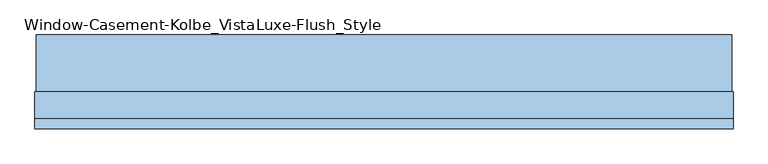
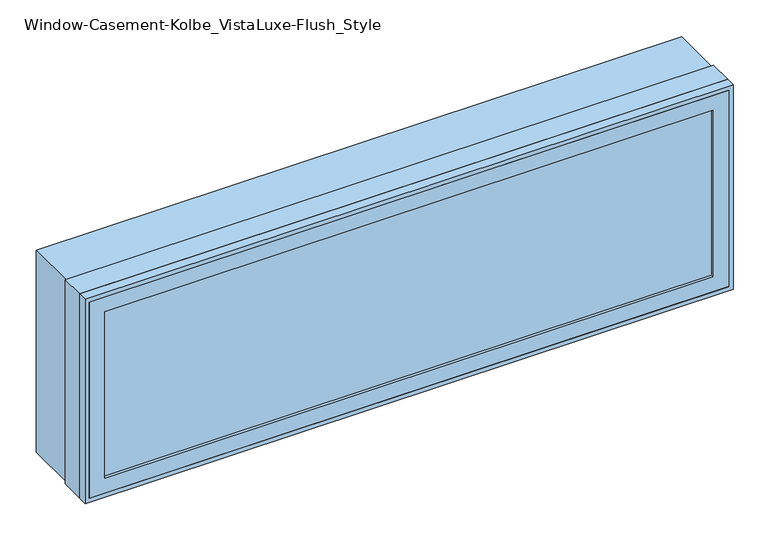
"""IFC4 building model written with IfcOpenShell, lengths in millimetres: window geometry, Window-Casement-Kolbe_VistaLuxe-Flush_Style."""

from ifc_helpers import new_model, si_unit, frame, origin, place, context, project, spatial, polyline, outline, extrude, faceted_brep, source, transform, mapped, element, save


def window_casement_kolbe_vistaluxe_flush_style_417d3836(model_context):
    return source(origin(), model_context, "Body", "SolidModel", [
        faceted_brep([(-863.6696599, -127.72898, 970.676875), (-863.6696599, -135.66648, 970.676875), (852.5765901, -135.66648, 970.676875), (852.5765901, -127.72898, 970.676875), (-879.5446599, -105.47858, 954.801875), (-879.5446599, -127.72898, 954.801875), (868.4515901, -127.72898, 954.801875), (868.4515901, -105.47858, 954.801875), (-863.6696599, -86.45398, 970.676875), (-863.6696599, -105.47858, 970.676875), (852.5765901, -105.47858, 970.676875), (852.5765901, -86.45398, 970.676875), (-908.1196599, -135.66648, 926.226875), (-908.1196599, -86.45398, 926.226875), (897.0265901, -86.45398, 926.226875), (897.0265901, -135.66648, 926.226875), (852.5765901, -135.66648, 1467.723125), (852.5765901, -127.72898, 1467.723125), (868.4515901, -127.72898, 1483.598125), (868.4515901, -105.47858, 1483.598125), (852.5765901, -105.47858, 1467.723125), (852.5765901, -86.45398, 1467.723125), (897.0265901, -86.45398, 1512.173125), (897.0265901, -135.66648, 1512.173125), (-863.6696599, -135.66648, 1467.723125), (-863.6696599, -127.72898, 1467.723125), (-879.5446599, -127.72898, 1483.598125), (-879.5446599, -105.47858, 1483.598125), (-863.6696599, -105.47858, 1467.723125), (-863.6696599, -86.45398, 1467.723125), (-908.1196599, -86.45398, 1512.173125), (-908.1196599, -135.66648, 1512.173125)], [[[0, 1, 2, 3]], [[4, 5, 6, 7]], [[8, 9, 10, 11]], [[12, 13, 14, 15]], [[3, 2, 16, 17]], [[7, 6, 18, 19]], [[11, 10, 20, 21]], [[15, 14, 22, 23]], [[17, 16, 24, 25]], [[19, 18, 26, 27]], [[21, 20, 28, 29]], [[23, 22, 30, 31]], [[25, 24, 1, 0]], [[5, 26, 18, 6], [3, 17, 25, 0]], [[27, 26, 5, 4]], [[7, 19, 27, 4], [9, 28, 20, 10]], [[29, 28, 9, 8]], [[13, 30, 22, 14], [11, 21, 29, 8]], [[31, 30, 13, 12]], [[15, 23, 31, 12], [1, 24, 16, 2]]]),
        extrude(outline(polyline([(1520.4186, 905.2720651), (1520.4186, -916.3651349), (917.9814, -916.3651349), (917.9814, 905.2720651), (1520.4186, 905.2720651)]), holes=[polyline([(936.545625, 886.7078401), (936.545625, -897.8009099), (1501.854375, -897.8009099), (1501.854375, 886.7078401), (936.545625, 886.7078401)])]), frame((0.0, -38.8747, 0.0), z_axis=(0.0, 1.0, 0.0), x_axis=(0.0, 0.0, 1.0)), (0.0, 0.0, 1.0), 148.4122),
        extrude(outline(polyline([(1524.0, -919.9465349), (914.4, -919.9465349), (914.4, 908.8534651), (1524.0, 908.8534651), (1524.0, -919.9465349)]), holes=[polyline([(1512.173125, 897.0265901), (926.226875, 897.0265901), (926.226875, -908.1196599), (1512.173125, -908.1196599), (1512.173125, 897.0265901)])]), frame((0.0, -136.4615, 0.0), z_axis=(0.0, 1.0, 0.0), x_axis=(0.0, 0.0, 1.0)), (0.0, 0.0, 1.0), 26.924),
        faceted_brep([(908.8534651, -38.8747, 914.4), (908.8534651, -109.5375, 914.4), (-919.9465349, -109.5375, 914.4), (-919.9465349, -38.8747, 914.4), (886.7078401, -86.45525, 936.545625), (886.7078401, -38.8747, 936.545625), (-897.8009099, -38.8747, 936.545625), (-897.8009099, -86.45525, 936.545625), (897.0265901, -109.5375, 926.226875), (897.0265901, -86.45525, 926.226875), (-908.1196599, -86.45525, 926.226875), (-908.1196599, -109.5375, 926.226875), (-919.9465349, -109.5375, 1524.0), (-919.9465349, -38.8747, 1524.0), (-897.8009099, -38.8747, 1501.854375), (-897.8009099, -86.45525, 1501.854375), (-908.1196599, -86.45525, 1512.173125), (-908.1196599, -109.5375, 1512.173125), (908.8534651, -109.5375, 1524.0), (908.8534651, -38.8747, 1524.0), (886.7078401, -38.8747, 1501.854375), (886.7078401, -86.45525, 1501.854375), (897.0265901, -86.45525, 1512.173125), (897.0265901, -109.5375, 1512.173125)], [[[0, 1, 2, 3]], [[4, 5, 6, 7]], [[8, 9, 10, 11]], [[3, 2, 12, 13]], [[7, 6, 14, 15]], [[11, 10, 16, 17]], [[13, 12, 18, 19]], [[15, 14, 20, 21]], [[17, 16, 22, 23]], [[19, 18, 1, 0]], [[3, 13, 19, 0], [5, 20, 14, 6]], [[21, 20, 5, 4]], [[9, 22, 16, 10], [7, 15, 21, 4]], [[23, 22, 9, 8]], [[1, 18, 12, 2], [11, 17, 23, 8]]]),
        extrude(outline(polyline([(865.2765901, -108.65358), (-876.3696599, -108.65358), (-876.3696599, -105.47858), (865.2765901, -105.47858), (865.2765901, -108.65358)])), frame((0.0, 0.0, 957.976875), z_axis=(0.0, 0.0, 1.0), x_axis=(1.0, 0.0, 0.0)), (0.0, 0.0, 1.0), 522.44625),
        extrude(outline(polyline([(865.2765901, -124.55398), (865.2765901, -127.72898), (-876.3696599, -127.72898), (-876.3696599, -124.55398), (865.2765901, -124.55398)])), frame((0.0, 0.0, 957.976875), z_axis=(0.0, 0.0, 1.0), x_axis=(1.0, 0.0, 0.0)), (0.0, 0.0, 1.0), 522.44625),
        extrude(outline(polyline([(936.545625, 886.7078401), (1501.854375, 886.7078401), (1501.854375, -897.8009099), (936.545625, -897.8009099), (936.545625, 886.7078401)]), holes=[polyline([(954.801875, -879.5446599), (1483.598125, -879.5446599), (1483.598125, 868.4515901), (954.801875, 868.4515901), (954.801875, -879.5446599)])]), frame((0.0, -86.45525, 0.0), z_axis=(0.0, 1.0, 0.0), x_axis=(0.0, 0.0, 1.0)), (0.0, 0.0, 1.0), 50.8),
    ])


if __name__ == "__main__":
    model = new_model("IFC4")
    model_context = context("Model", 3, world=origin())
    ifc_project = project(units=[si_unit("LENGTHUNIT", "METRE", prefix="MILLI")], contexts=[model_context])
    site = spatial("IfcSite", under=ifc_project)
    building = spatial("IfcBuilding", under=site)
    placement = place(None, origin())
    window_casement_kolbe_vistaluxe_flush_style_shape = window_casement_kolbe_vistaluxe_flush_style_417d3836(model_context)
    element("IfcWindow", 1, ObjectType="Window-Casement-Kolbe_VistaLuxe-Flush_Style", at=placement, inside=building, context=model_context, shape_type="MappedRepresentation", body=[
        mapped(window_casement_kolbe_vistaluxe_flush_style_shape, transform((0.0, 0.0, 0.0), x_axis=(1.0, 0.0, 0.0), y_axis=(0.0, 1.0, 0.0), z_axis=(0.0, 0.0, 1.0))),
    ])
    save(model, "model.ifc")
